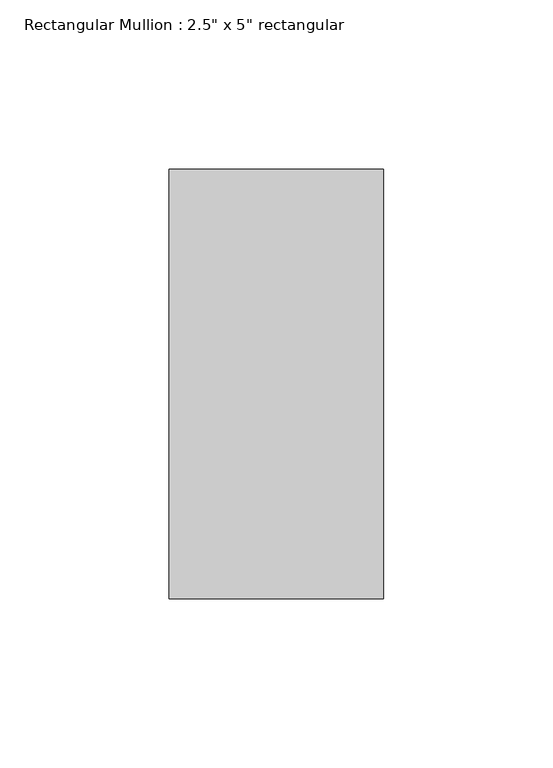
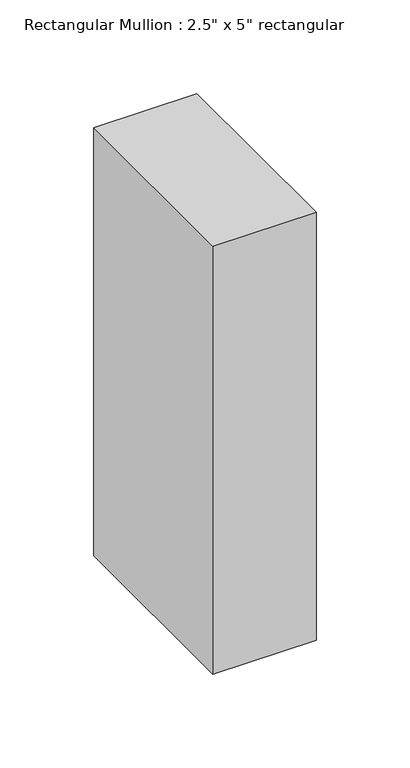
"""IFC4 building model written with IfcOpenShell, lengths in millimetres: member geometry."""

from ifc_helpers import new_model, si_unit, frame, origin, place, context, project, spatial, polyline, outline, extrude, source, transform, mapped, element, save


def member_a9ec76a8(model_context):
    return source(origin(), model_context, "Body", "SweptSolid", [
        extrude(outline(polyline([(31.75, 63.5), (31.75, -63.5), (-31.75, -63.5), (-31.75, 63.5), (31.75, 63.5)])), frame((0.0, 0.0, -278.364483), z_axis=(0.0, 0.0, 1.0), x_axis=(1.0, 0.0, 0.0)), (0.0, 0.0, 1.0), 278.364483),
    ])


if __name__ == "__main__":
    model = new_model("IFC4")
    model_context = context("Model", 3, world=origin())
    ifc_project = project(units=[si_unit("LENGTHUNIT", "METRE", prefix="MILLI")], contexts=[model_context])
    site = spatial("IfcSite", under=ifc_project)
    building = spatial("IfcBuilding", under=site)
    placement = place(None, origin())
    member_shape = member_a9ec76a8(model_context)
    element("IfcMember", 1, ObjectType="Rectangular Mullion : 2.5\" x 5\" rectangular", at=placement, inside=building, context=model_context, shape_type="MappedRepresentation", body=[
        mapped(member_shape, transform((0.0, 0.0, 0.0), x_axis=(1.0, 0.0, 0.0), y_axis=(0.0, 1.0, 0.0), z_axis=(0.0, 0.0, 1.0))),
    ])
    save(model, "model.ifc")
